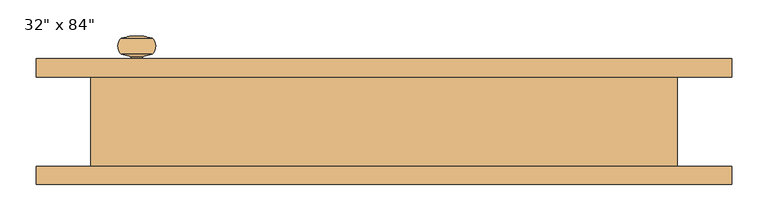
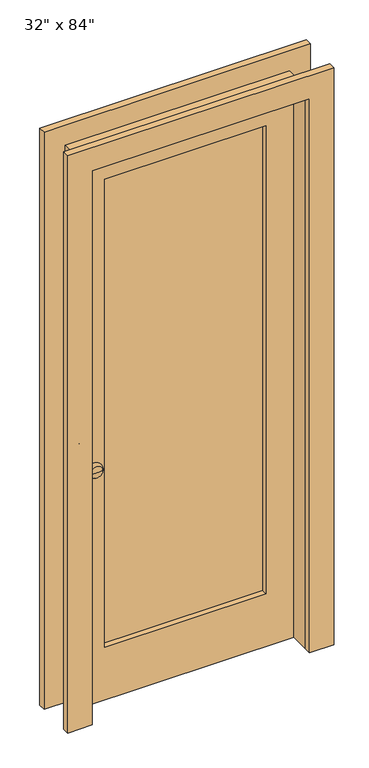
"""IFC4 building model written with IfcOpenShell, lengths in millimetres: door geometry."""

from ifc_helpers import new_model, si_unit, point, frame, origin, place, context, project, spatial, polyline, circle_curve, ellipse_curve, trimmed, outline, extrude, source, transform, mapped, element, save
from ifc_brep_helpers import plane_surface, cylinder_surface, revolved_surface, advanced_brep


def door_4030fe50(model_context):
    return source(origin(), model_context, "Body", "SolidModel", [
        extrude(outline(polyline([(2209.8, -482.6), (0.0, -482.6), (0.0, -393.7), (2120.9, -393.7), (2120.9, 393.7), (0.0, 393.7), (0.0, 482.6), (2209.8, 482.6), (2209.8, -482.6)])), frame((0.0, 61.9125, 0.0), z_axis=(0.0, 1.0, 0.0), x_axis=(0.0, 0.0, 1.0)), (0.0, 0.0, 1.0), 25.4),
        extrude(outline(polyline([(2209.8, 482.6), (2209.8, -482.6), (0.0, -482.6), (0.0, -393.7), (2120.9, -393.7), (2120.9, 393.7), (0.0, 393.7), (0.0, 482.6), (2209.8, 482.6)])), frame((0.0, -87.3125, 0.0), z_axis=(0.0, 1.0, 0.0), x_axis=(0.0, 0.0, 1.0)), (0.0, 0.0, 1.0), 25.4),
        extrude(outline(polyline([(2120.9, 393.7), (2120.9, -393.7), (0.0, -393.7), (0.0, 393.7), (2120.9, 393.7)]), holes=[polyline([(1993.9, 292.1), (203.2, 292.1), (203.2, -292.1), (1993.9, -292.1), (1993.9, 292.1)])]), frame((0.0, 11.1125, 0.0), z_axis=(0.0, 1.0, 0.0), x_axis=(0.0, 0.0, 1.0)), (0.0, 0.0, 1.0), 50.8),
        extrude(outline(polyline([(2133.6, 406.4), (2133.6, -406.4), (0.0, -406.4), (0.0, -393.7), (2120.9, -393.7), (2120.9, 393.7), (0.0, 393.7), (0.0, 406.4), (2133.6, 406.4)])), frame((0.0, -61.9125, 0.0), z_axis=(0.0, 1.0, 0.0), x_axis=(0.0, 0.0, 1.0)), (0.0, 0.0, 1.0), 123.825),
        extrude(outline(polyline([(292.1, 30.1625), (-292.1, 30.1625), (-292.1, 42.8625), (292.1, 42.8625), (292.1, 30.1625)])), frame((0.0, 0.0, 203.2), z_axis=(0.0, 0.0, 1.0), x_axis=(1.0, 0.0, 0.0)), (0.0, 0.0, 1.0), 1790.7),
        advanced_brep(
        [(-342.9, 61.9125, 914.4), (-350.3064417, 61.9125, 914.4), (-335.4935583, 61.9125, 914.4), (-350.3064417, 90.3637978, 914.4), (-335.4935583, 90.3637978, 914.4), (-364.1502241, 94.0732281, 914.4), (-321.6497759, 94.0732281, 914.4), (-364.1502241, 116.4533006, 914.4), (-321.6497759, 116.4533006, 914.4), (-342.9, 119.0625, 914.4)],
        [
            (0, 1),
            (1, 2, circle_curve(frame((-342.9, 61.9125, 914.4), z_axis=(0.0, -1.0, 0.0), x_axis=(-1.0, 0.0, 0.0)), 7.4064417)),
            (2, 0),
            (2, 1, circle_curve(frame((-342.9, 61.9125, 914.4), z_axis=(0.0, -1.0, 0.0), x_axis=(-1.0, 0.0, 0.0)), 7.4064417)),
            (1, 3),
            (3, 4, circle_curve(frame((-342.9, 90.3637978, 914.4), z_axis=(0.0, -1.0, 0.0), x_axis=(-1.0, 0.0, 0.0)), 7.4064417)),
            (4, 2),
            (4, 3, circle_curve(frame((-342.9, 90.3637978, 914.4), z_axis=(0.0, -1.0, 0.0), x_axis=(-1.0, 0.0, 0.0)), 7.4064417)),
            (3, 5),
            (5, 6, circle_curve(frame((-342.9, 94.0732281, 914.4), z_axis=(0.0, -1.0, 0.0), x_axis=(-1.0, 0.0, 0.0)), 21.2502241)),
            (6, 4),
            (6, 5, circle_curve(frame((-342.9, 94.0732281, 914.4), z_axis=(0.0, -1.0, 0.0), x_axis=(-1.0, 0.0, 0.0)), 21.2502241)),
            (5, 7, circle_curve(frame((-353.5958505, 105.2632643, 914.4), z_axis=(0.0, 0.0, -1.0), x_axis=(-1.0, 0.0, 0.0)), 15.3821882)),
            (7, 8, circle_curve(frame((-342.9, 116.4533006, 914.4), z_axis=(0.0, -1.0, 0.0), x_axis=(-1.0, 0.0, 0.0)), 21.2502241)),
            (8, 6, circle_curve(frame((-332.2041495, 105.2632643, 914.4), z_axis=(0.0, 0.0, -1.0), x_axis=(1.0, 0.0, 0.0)), 15.3821882)),
            (8, 7, circle_curve(frame((-342.9, 116.4533006, 914.4), z_axis=(0.0, -1.0, 0.0), x_axis=(-1.0, 0.0, 0.0)), 21.2502241)),
            (7, 9, circle_curve(frame((-342.9, 31.2233068, 914.4), z_axis=(0.0, 0.0, -1.0), x_axis=(-1.0, 0.0, 0.0)), 87.8391932)),
            (9, 8, circle_curve(frame((-342.9, 31.2233068, 914.4), z_axis=(0.0, 0.0, -1.0), x_axis=(1.0, 0.0, 0.0)), 87.8391932)),
        ],
        [
            plane_surface(frame((-342.9, 61.9125, 914.4), z_axis=(0.0, -1.0, 0.0), x_axis=(-1.0, 0.0, 0.0))),
            cylinder_surface(frame((-342.9, 68.2625, 914.4), z_axis=(0.0, -1.0, 0.0), x_axis=(-1.0, 0.0, 0.0)), 7.4064417),
            revolved_surface(polyline([(-364.1502241, 94.0732281, 914.4), (-350.3064417, 90.3637978, 914.4)]), (-342.9, 68.2625, 914.4), (0.0, -1.0, 0.0)),
            revolved_surface(trimmed(ellipse_curve(frame((-353.5958505, 105.2632643, 914.4), z_axis=(0.0, 0.0, 1.0), x_axis=(-1.0, 0.0, 0.0)), 15.3821882, 15.3821882), [point((-364.1502241, 116.4533006, 914.4))], [point((-364.1502241, 94.0732281, 914.4))], True, "CARTESIAN"), (-342.9, 68.2625, 914.4), (0.0, -1.0, 0.0)),
            revolved_surface(trimmed(ellipse_curve(frame((-342.9, 31.2233068, 914.4), z_axis=(0.0, 0.0, 1.0), x_axis=(-1.0, 0.0, 0.0)), 87.8391932, 87.8391932), [point((-342.9, 119.0625, 914.4))], [point((-364.1502241, 116.4533006, 914.4))], True, "CARTESIAN"), (-342.9, 68.2625, 914.4), (0.0, -1.0, 0.0)),
        ],
        [
            (0, [[1, 2, 3]]),
            (0, [[-3, 4, -1]]),
            (1, [[-2, 5, 6, 7]]),
            (1, [[-4, -7, 8, -5]]),
            (2, [[-6, 9, 10, 11]]),
            (2, [[-8, -11, 12, -9]]),
            (3, [[-10, 13, 14, 15]]),
            (3, [[-12, -15, 16, -13]]),
            (4, [[-14, 17, 18]]),
            (4, [[-16, -18, -17]]),
        ],
    ),
        advanced_brep(
        [(-335.4935583, 25.4, 914.4), (-350.3064417, 25.4, 914.4), (-342.9, 25.4, 914.4), (-335.4935583, -3.0512978, 914.4), (-350.3064417, -3.0512978, 914.4), (-321.6497759, -6.7607281, 914.4), (-364.1502241, -6.7607281, 914.4), (-320.8998593, -28.3826739, 914.4), (-364.9001407, -28.3826739, 914.4), (-342.9, -31.75, 914.4)],
        [
            (0, 1, circle_curve(frame((-342.9, 25.4, 914.4), z_axis=(0.0, 1.0, 0.0), x_axis=(-1.0, 0.0, 0.0)), 7.4064417)),
            (1, 2),
            (2, 0),
            (1, 0, circle_curve(frame((-342.9, 25.4, 914.4), z_axis=(0.0, 1.0, 0.0), x_axis=(-1.0, 0.0, 0.0)), 7.4064417)),
            (3, 4, circle_curve(frame((-342.9, -3.0512978, 914.4), z_axis=(0.0, 1.0, 0.0), x_axis=(-1.0, 0.0, 0.0)), 7.4064417)),
            (4, 1),
            (0, 3),
            (4, 3, circle_curve(frame((-342.9, -3.0512978, 914.4), z_axis=(0.0, 1.0, 0.0), x_axis=(-1.0, 0.0, 0.0)), 7.4064417)),
            (5, 6, circle_curve(frame((-342.9, -6.7607281, 914.4), z_axis=(0.0, 1.0, 0.0), x_axis=(-1.0, 0.0, 0.0)), 21.2502241)),
            (6, 4),
            (3, 5),
            (6, 5, circle_curve(frame((-342.9, -6.7607281, 914.4), z_axis=(0.0, 1.0, 0.0), x_axis=(-1.0, 0.0, 0.0)), 21.2502241)),
            (7, 8, circle_curve(frame((-342.9, -28.3826739, 914.4), z_axis=(0.0, 1.0, 0.0), x_axis=(-1.0, 0.0, 0.0)), 22.0001407)),
            (8, 6, circle_curve(frame((-353.5958505, -17.9507643, 914.4), z_axis=(0.0, 0.0, -1.0), x_axis=(-1.0, 0.0, 0.0)), 15.3821882)),
            (5, 7, circle_curve(frame((-332.2041495, -17.9507643, 914.4), z_axis=(0.0, 0.0, -1.0), x_axis=(1.0, 0.0, 0.0)), 15.3821882)),
            (8, 7, circle_curve(frame((-342.9, -28.3826739, 914.4), z_axis=(0.0, 1.0, 0.0), x_axis=(-1.0, 0.0, 0.0)), 22.0001407)),
            (9, 8, circle_curve(frame((-342.9, 41.8016932, 914.4), z_axis=(0.0, 0.0, -1.0), x_axis=(-1.0, 0.0, 0.0)), 73.5516932)),
            (7, 9, circle_curve(frame((-342.9, 41.8016932, 914.4), z_axis=(0.0, 0.0, -1.0), x_axis=(1.0, 0.0, 0.0)), 73.5516932)),
        ],
        [
            plane_surface(frame((-342.9, 25.4, 914.4), z_axis=(0.0, 1.0, 0.0), x_axis=(-1.0, 0.0, 0.0))),
            cylinder_surface(frame((-342.9, 19.05, 914.4), z_axis=(0.0, -1.0, 0.0), x_axis=(-1.0, 0.0, 0.0)), 7.4064417),
            revolved_surface(polyline([(-350.3064417, -3.0512978, 914.4), (-364.1502241, -6.7607281, 914.4)]), (-342.9, 19.05, 914.4), (0.0, -1.0, 0.0)),
            revolved_surface(trimmed(ellipse_curve(frame((-353.5958505, -17.9507643, 914.4), z_axis=(0.0, 0.0, 1.0), x_axis=(-1.0, 0.0, 0.0)), 15.3821882, 15.3821882), [point((-364.1502241, -6.7607281, 914.4))], [point((-364.9001407, -28.3826739, 914.4))], True, "CARTESIAN"), (-342.9, 19.05, 914.4), (0.0, -1.0, 0.0)),
            revolved_surface(trimmed(ellipse_curve(frame((-342.9, 41.8016932, 914.4), z_axis=(0.0, 0.0, 1.0), x_axis=(-1.0, 0.0, 0.0)), 73.5516932, 73.5516932), [point((-364.9001407, -28.3826739, 914.4))], [point((-342.9, -31.75, 914.4))], True, "CARTESIAN"), (-342.9, 19.05, 914.4), (0.0, -1.0, 0.0)),
        ],
        [
            (0, [[1, 2, 3]]),
            (0, [[4, -3, -2]]),
            (1, [[5, 6, -1, 7]]),
            (1, [[8, -7, -4, -6]]),
            (2, [[9, 10, -5, 11]]),
            (2, [[12, -11, -8, -10]]),
            (3, [[13, 14, -9, 15]]),
            (3, [[16, -15, -12, -14]]),
            (4, [[17, -13, 18]]),
            (4, [[-18, -16, -17]]),
        ],
    ),
    ])


if __name__ == "__main__":
    model = new_model("IFC4")
    model_context = context("Model", 3, world=origin())
    ifc_project = project(units=[si_unit("LENGTHUNIT", "METRE", prefix="MILLI")], contexts=[model_context])
    site = spatial("IfcSite", under=ifc_project)
    building = spatial("IfcBuilding", under=site)
    placement = place(None, origin())
    door_shape = door_4030fe50(model_context)
    element("IfcDoor", 1, ObjectType="32\" x 84\"", at=placement, inside=building, context=model_context, shape_type="MappedRepresentation", body=[
        mapped(door_shape, transform((0.0, 0.0, 0.0), x_axis=(1.0, 0.0, 0.0), y_axis=(0.0, 1.0, 0.0), z_axis=(0.0, 0.0, 1.0))),
    ])
    save(model, "model.ifc")
